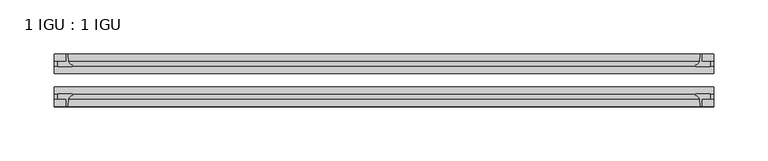
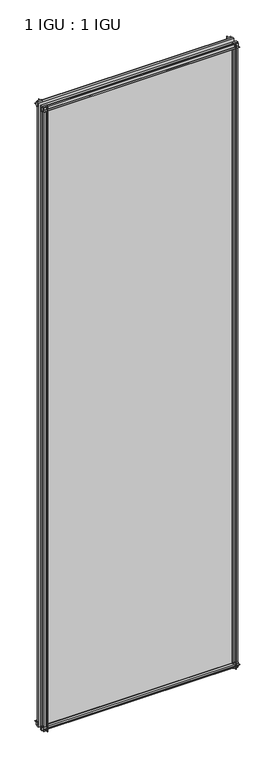
"""IFC4 building model written with IfcOpenShell, lengths in millimetres: plate geometry, 1 IGU : 1 IGU."""

from ifc_helpers import new_model, si_unit, point, frame, frame_2d, origin, place, context, project, spatial, polyline, circle_curve, trimmed, segment, composite_curve, outline, extrude, source, transform, mapped, element, save


def plate_1_igu_1_igu_4cc4a9dd(model_context):
    return source(origin(), model_context, "Body", "SweptSolid", [
        extrude(outline(composite_curve([segment(polyline([(-42.3267187, -8.2068385), (-47.0892187, -8.2068385), (-47.0892187, 0.0), (-53.563779, 0.0)]), True, "CONTINUOUS"), segment(trimmed(circle_curve(frame_2d((-53.0328134, 0.3482823)), 0.635), [point((-53.563779, 0.0))], [point((-53.0575397, 0.9828007))], False, "CARTESIAN"), True, "CONTINUOUS"), segment(trimmed(circle_curve(frame_2d((-54.2310045, 31.0958559)), 30.1359106), [point((-53.0575397, 0.9828007))], [point((-47.0834032, 1.8198434))], True, "CARTESIAN"), True, "CONTINUOUS"), segment(trimmed(circle_curve(frame_2d((-48.2159797, 6.4587878)), 4.7752), [point((-47.0834032, 1.8198434))], [point((-43.578416, 5.3205707))], True, "CARTESIAN"), True, "CONTINUOUS"), segment(trimmed(circle_curve(frame_2d((-42.9617187, 5.169212)), 0.635), [point((-43.578416, 5.3205707))], [point((-42.3267187, 5.169212))], False, "CARTESIAN"), True, "CONTINUOUS"), segment(polyline([(-42.3267187, 5.169212), (-42.3267187, -8.2068385)]), True, "CONTINUOUS")], self_intersect=False)), frame((-303.2125, 0.0, 0.0), z_axis=(1.0, 0.0, 0.0), x_axis=(0.0, 1.0, 0.0)), (0.0, 0.0, 1.0), 606.425),
        extrude(outline(composite_curve([segment(polyline([(-16.9267187, -8.2068385), (-16.9267187, 5.169212)]), True, "CONTINUOUS"), segment(trimmed(circle_curve(frame_2d((-16.2917187, 5.169212)), 0.635), [point((-16.9267187, 5.169212))], [point((-15.6750215, 5.3205707))], False, "CARTESIAN"), True, "CONTINUOUS"), segment(trimmed(circle_curve(frame_2d((-11.0374578, 6.4587878)), 4.7752), [point((-15.6750215, 5.3205707))], [point((-12.1700343, 1.8198434))], True, "CARTESIAN"), True, "CONTINUOUS"), segment(trimmed(circle_curve(frame_2d((-5.022433, 31.0958559)), 30.1359106), [point((-12.1700343, 1.8198434))], [point((-6.1958978, 0.9828007))], True, "CARTESIAN"), True, "CONTINUOUS"), segment(trimmed(circle_curve(frame_2d((-6.2206241, 0.3482823)), 0.635), [point((-6.1958978, 0.9828007))], [point((-5.6896585, 0.0))], False, "CARTESIAN"), True, "CONTINUOUS"), segment(polyline([(-5.6896585, 0.0), (-12.1642187, 0.0), (-12.1642187, -8.2068385), (-16.9267187, -8.2068385)]), True, "CONTINUOUS")], self_intersect=False)), frame((-303.2125, 0.0, 0.0), z_axis=(1.0, 0.0, 0.0), x_axis=(0.0, 1.0, 0.0)), (0.0, 0.0, 1.0), 606.425),
        extrude(outline(composite_curve([segment(polyline([(-47.0892188, 2022.475), (-47.0892188, 2030.6818385), (-42.3267188, 2030.6818385), (-42.3267188, 2017.305788)]), True, "CONTINUOUS"), segment(trimmed(circle_curve(frame_2d((-42.9617187, 2017.305788)), 0.635), [point((-42.3267188, 2017.305788))], [point((-43.578416, 2017.1544293))], False, "CARTESIAN"), True, "CONTINUOUS"), segment(trimmed(circle_curve(frame_2d((-48.2159797, 2016.0162122)), 4.7752), [point((-43.578416, 2017.1544293))], [point((-47.0834032, 2020.6551566))], True, "CARTESIAN"), True, "CONTINUOUS"), segment(trimmed(circle_curve(frame_2d((-54.2310045, 1991.3791441)), 30.1359106), [point((-47.0834032, 2020.6551566))], [point((-53.0575397, 2021.4921993))], True, "CARTESIAN"), True, "CONTINUOUS"), segment(trimmed(circle_curve(frame_2d((-53.0328134, 2022.1267177)), 0.635), [point((-53.0575397, 2021.4921993))], [point((-53.563779, 2022.475))], False, "CARTESIAN"), True, "CONTINUOUS"), segment(polyline([(-53.563779, 2022.475), (-47.0892188, 2022.475)]), True, "CONTINUOUS")], self_intersect=False)), frame((-303.2125, 0.0, 0.0), z_axis=(1.0, 0.0, 0.0), x_axis=(0.0, 1.0, 0.0)), (0.0, 0.0, 1.0), 606.425),
        extrude(outline(composite_curve([segment(polyline([(-12.1642187, 2022.475), (-5.6896585, 2022.475)]), True, "CONTINUOUS"), segment(trimmed(circle_curve(frame_2d((-6.2206241, 2022.1267177)), 0.635), [point((-5.6896585, 2022.475))], [point((-6.1958978, 2021.4921993))], False, "CARTESIAN"), True, "CONTINUOUS"), segment(trimmed(circle_curve(frame_2d((-5.022433, 1991.3791441)), 30.1359106), [point((-6.1958978, 2021.4921993))], [point((-12.1700343, 2020.6551566))], True, "CARTESIAN"), True, "CONTINUOUS"), segment(trimmed(circle_curve(frame_2d((-11.0374578, 2016.0162122)), 4.7752), [point((-12.1700343, 2020.6551566))], [point((-15.6750215, 2017.1544293))], True, "CARTESIAN"), True, "CONTINUOUS"), segment(trimmed(circle_curve(frame_2d((-16.2917188, 2017.305788)), 0.635), [point((-15.6750215, 2017.1544293))], [point((-16.9267188, 2017.305788))], False, "CARTESIAN"), True, "CONTINUOUS"), segment(polyline([(-16.9267188, 2017.305788), (-16.9267187, 2030.6818385), (-12.1642187, 2030.6818385), (-12.1642187, 2022.475)]), True, "CONTINUOUS")], self_intersect=False)), frame((-303.2125, 0.0, 0.0), z_axis=(1.0, 0.0, 0.0), x_axis=(0.0, 1.0, 0.0)), (0.0, 0.0, 1.0), 606.425),
        extrude(outline(composite_curve([segment(polyline([(292.1, -5.6896585), (292.1, -12.1642188), (300.3068385, -12.1642188), (300.3068385, -16.9267187), (286.930788, -16.9267187)]), True, "CONTINUOUS"), segment(trimmed(circle_curve(frame_2d((286.930788, -16.2917188)), 0.635), [point((286.930788, -16.9267187))], [point((286.7794293, -15.6750215))], False, "CARTESIAN"), True, "CONTINUOUS"), segment(trimmed(circle_curve(frame_2d((285.6412122, -11.0374578)), 4.7752), [point((286.7794293, -15.6750215))], [point((290.2801566, -12.1700343))], True, "CARTESIAN"), True, "CONTINUOUS"), segment(trimmed(circle_curve(frame_2d((261.0041441, -5.022433)), 30.1359106), [point((290.2801566, -12.1700343))], [point((291.1171993, -6.1958978))], True, "CARTESIAN"), True, "CONTINUOUS"), segment(trimmed(circle_curve(frame_2d((291.7517177, -6.2206241)), 0.635), [point((291.1171993, -6.1958978))], [point((292.1, -5.6896585))], False, "CARTESIAN"), True, "CONTINUOUS")], self_intersect=False)), frame((0.0, 0.0, -11.1125), z_axis=(0.0, 0.0, 1.0), x_axis=(1.0, 0.0, 0.0)), (0.0, 0.0, 1.0), 2044.7),
        extrude(outline(composite_curve([segment(trimmed(circle_curve(frame_2d((291.7517177, -53.0328134)), 0.635), [point((292.1, -53.563779))], [point((291.1171993, -53.0575397))], False, "CARTESIAN"), True, "CONTINUOUS"), segment(trimmed(circle_curve(frame_2d((261.0041441, -54.2310045)), 30.1359106), [point((291.1171993, -53.0575397))], [point((290.2801566, -47.0834032))], True, "CARTESIAN"), True, "CONTINUOUS"), segment(trimmed(circle_curve(frame_2d((285.6412122, -48.2159797)), 4.7752), [point((290.2801566, -47.0834032))], [point((286.7794293, -43.578416))], True, "CARTESIAN"), True, "CONTINUOUS"), segment(trimmed(circle_curve(frame_2d((286.930788, -42.9617187)), 0.635), [point((286.7794293, -43.578416))], [point((286.930788, -42.3267187))], False, "CARTESIAN"), True, "CONTINUOUS"), segment(polyline([(286.930788, -42.3267187), (300.3068385, -42.3267188), (300.3068385, -47.0892188), (292.1, -47.0892188), (292.1, -53.563779)]), True, "CONTINUOUS")], self_intersect=False)), frame((0.0, 0.0, -11.1125), z_axis=(0.0, 0.0, 1.0), x_axis=(1.0, 0.0, 0.0)), (0.0, 0.0, 1.0), 2044.7),
        extrude(outline(composite_curve([segment(trimmed(circle_curve(frame_2d((-291.7517177, -6.2206241)), 0.635), [point((-292.1, -5.6896585))], [point((-291.1171993, -6.1958978))], False, "CARTESIAN"), True, "CONTINUOUS"), segment(trimmed(circle_curve(frame_2d((-261.0041441, -5.022433)), 30.1359106), [point((-291.1171993, -6.1958978))], [point((-290.2801566, -12.1700343))], True, "CARTESIAN"), True, "CONTINUOUS"), segment(trimmed(circle_curve(frame_2d((-285.6412122, -11.0374578)), 4.7752), [point((-290.2801566, -12.1700343))], [point((-286.7794293, -15.6750215))], True, "CARTESIAN"), True, "CONTINUOUS"), segment(trimmed(circle_curve(frame_2d((-286.930788, -16.2917187)), 0.635), [point((-286.7794293, -15.6750215))], [point((-286.930788, -16.9267187))], False, "CARTESIAN"), True, "CONTINUOUS"), segment(polyline([(-286.930788, -16.9267187), (-300.3068385, -16.9267187), (-300.3068385, -12.1642187), (-292.1, -12.1642187), (-292.1, -5.6896585)]), True, "CONTINUOUS")], self_intersect=False)), frame((0.0, 0.0, -11.1125), z_axis=(0.0, 0.0, 1.0), x_axis=(1.0, 0.0, 0.0)), (0.0, 0.0, 1.0), 2044.7),
        extrude(outline(composite_curve([segment(polyline([(-292.1, -53.563779), (-292.1, -47.0892187), (-300.3068385, -47.0892187), (-300.3068385, -42.3267188), (-286.930788, -42.3267188)]), True, "CONTINUOUS"), segment(trimmed(circle_curve(frame_2d((-286.930788, -42.9617187)), 0.635), [point((-286.930788, -42.3267188))], [point((-286.7794293, -43.578416))], False, "CARTESIAN"), True, "CONTINUOUS"), segment(trimmed(circle_curve(frame_2d((-285.6412122, -48.2159797)), 4.7752), [point((-286.7794293, -43.578416))], [point((-290.2801566, -47.0834032))], True, "CARTESIAN"), True, "CONTINUOUS"), segment(trimmed(circle_curve(frame_2d((-261.0041441, -54.2310045)), 30.1359106), [point((-290.2801566, -47.0834032))], [point((-291.1171993, -53.0575397))], True, "CARTESIAN"), True, "CONTINUOUS"), segment(trimmed(circle_curve(frame_2d((-291.7517177, -53.0328134)), 0.635), [point((-291.1171993, -53.0575397))], [point((-292.1, -53.563779))], False, "CARTESIAN"), True, "CONTINUOUS")], self_intersect=False)), frame((0.0, 0.0, -11.1125), z_axis=(0.0, 0.0, 1.0), x_axis=(1.0, 0.0, 0.0)), (0.0, 0.0, 1.0), 2044.7),
        extrude(outline(polyline([(303.2125, -16.9267187), (303.2125, -23.2259187), (-303.2125, -23.2259187), (-303.2125, -16.9267187), (303.2125, -16.9267187)])), frame((0.0, 0.0, -11.1125), z_axis=(0.0, 0.0, 1.0), x_axis=(1.0, 0.0, 0.0)), (0.0, 0.0, 1.0), 2044.7),
        extrude(outline(polyline([(303.2125, -36.0275187), (303.2125, -42.3267187), (-303.2125, -42.3267187), (-303.2125, -36.0275187), (303.2125, -36.0275187)])), frame((0.0, 0.0, -11.1125), z_axis=(0.0, 0.0, 1.0), x_axis=(1.0, 0.0, 0.0)), (0.0, 0.0, 1.0), 2044.7),
    ])


if __name__ == "__main__":
    model = new_model("IFC4")
    model_context = context("Model", 3, world=origin())
    ifc_project = project(units=[si_unit("LENGTHUNIT", "METRE", prefix="MILLI")], contexts=[model_context])
    site = spatial("IfcSite", under=ifc_project)
    building = spatial("IfcBuilding", under=site)
    placement = place(None, origin())
    plate_1_igu_1_igu_shape = plate_1_igu_1_igu_4cc4a9dd(model_context)
    element("IfcPlate", 1, ObjectType="1 IGU : 1 IGU", at=placement, inside=building, context=model_context, shape_type="MappedRepresentation", body=[
        mapped(plate_1_igu_1_igu_shape, transform((0.0, 0.0, 0.0), x_axis=(1.0, 0.0, 0.0), y_axis=(0.0, 1.0, 0.0), z_axis=(0.0, 0.0, 1.0))),
    ])
    save(model, "model.ifc")
